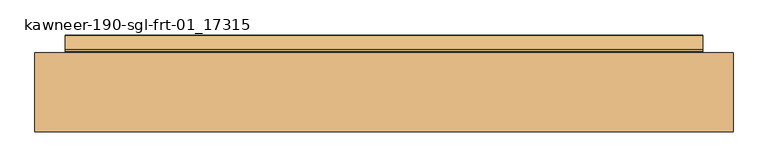
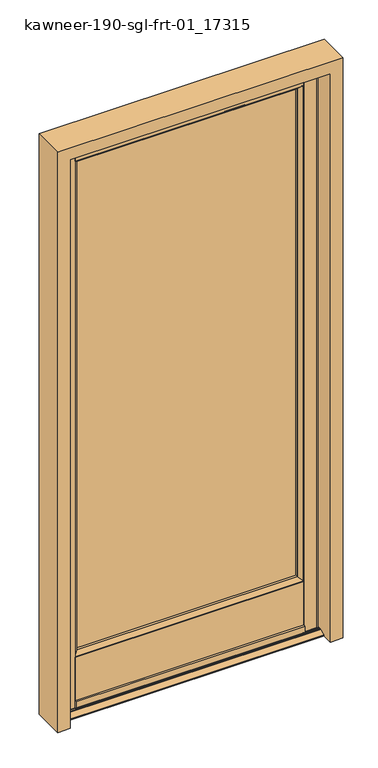
"""IFC4 building model written with IfcOpenShell, lengths in millimetres: door geometry, kawneer-190-sgl-frt-01_17315."""

from ifc_helpers import new_model, si_unit, point, frame, frame_2d, origin, place, context, project, spatial, polyline, circle_curve, trimmed, segment, composite_curve, outline, extrude, source, transform, mapped, element, save


def kawneer_190_sgl_frt_01_17315_6ead7ac8(model_context):
    return source(origin(), model_context, "Body", "SweptSolid", [
        extrude(outline(composite_curve([segment(polyline([(-407.1938516, 54.76875), (-407.1938516, 53.1207726), (-393.7318516, 41.95445), (-393.7318516, 39.5584659), (-390.3360934, 35.7186484), (-402.4313516, 35.7186484), (-402.4313516, 29.36875), (-390.3649131, 29.36875), (-393.7318516, 25.5274652), (-393.7318516, 23.13305), (-407.1938516, 11.9666512), (-407.1938516, 10.31875), (-454.0890588, 10.31875)]), True, "CONTINUOUS"), segment(trimmed(circle_curve(frame_2d((-454.0890588, 15.0896329)), 4.7708829), [point((-454.0890588, 10.31875))], [point((-458.8599417, 15.0896329))], False, "CARTESIAN"), True, "CONTINUOUS"), segment(polyline([(-458.8599417, 15.0896329), (-461.16875, 54.76875), (-407.1938516, 54.76875)]), True, "CONTINUOUS")], self_intersect=False)), frame((0.0, 0.0, 17.4625), z_axis=(0.0, 0.0, 1.0), x_axis=(1.0, 0.0, 0.0)), (0.0, 0.0, 1.0), 2116.1375),
        extrude(outline(composite_curve([segment(polyline([(407.1938516, 54.76875), (461.16875, 54.76875), (458.8599417, 15.0896329)]), True, "CONTINUOUS"), segment(trimmed(circle_curve(frame_2d((454.0890588, 15.0896329)), 4.7708829), [point((458.8599417, 15.0896329))], [point((454.0890588, 10.31875))], False, "CARTESIAN"), True, "CONTINUOUS"), segment(polyline([(454.0890588, 10.31875), (407.1938516, 10.31875), (407.1938516, 13.4936484), (393.7318516, 23.13305), (393.7318516, 25.5274652), (390.3649131, 29.36875), (406.4, 29.36875), (406.4, 35.7186484), (390.3360934, 35.7186484), (393.7318516, 39.5584659), (393.7318516, 41.95445), (407.1938516, 53.1207726), (407.1938516, 54.76875)]), True, "CONTINUOUS")], self_intersect=False)), frame((0.0, 0.0, 17.4625), z_axis=(0.0, 0.0, 1.0), x_axis=(1.0, 0.0, 0.0)), (0.0, 0.0, 1.0), 2116.1375),
        extrude(outline(polyline([(0.0, 463.55), (0.0, 508.0), (2184.4, 508.0), (2184.4, -508.0), (0.0, -508.0), (0.0, -463.55), (2139.95, -463.55), (2139.95, 463.55), (0.0, 463.55)])), frame((0.0, -57.15, 0.0), z_axis=(0.0, 1.0, 0.0), x_axis=(0.0, 0.0, 1.0)), (0.0, 0.0, 1.0), 114.3),
        extrude(outline(polyline([(406.4, 29.36875), (-402.4313516, 29.36875), (-402.4313516, 35.7186484), (406.4, 35.7186484), (406.4, 29.36875)])), frame((0.0, 0.0, 212.725), z_axis=(0.0, 0.0, 1.0), x_axis=(1.0, 0.0, 0.0)), (0.0, 0.0, 1.0), 1855.7876016),
        extrude(outline(composite_curve([segment(polyline([(62.9047915, 8.6868), (52.4380414, 8.6868), (52.4380414, 7.2370753), (12.7886414, 7.2370753), (12.7886414, 8.6868), (2.3472914, 8.6868), (-10.0946637, 2.9615256)]), True, "CONTINUOUS"), segment(trimmed(circle_curve(frame_2d((-9.4363586, 1.5309211)), 1.5748), [point((-10.0946637, 2.9615256))], [point((-11.0111586, 1.5309211))], True, "CARTESIAN"), True, "CONTINUOUS"), segment(polyline([(-11.0111586, 1.5309211), (-11.0111586, 0.0), (-18.1739586, 0.0), (-18.1739586, 2.5920957)]), True, "CONTINUOUS"), segment(trimmed(circle_curve(frame_2d((-17.3611586, 2.5920957)), 0.8128), [point((-18.1739586, 2.5920957))], [point((-17.700929, 3.3304722))], False, "CARTESIAN"), True, "CONTINUOUS"), segment(polyline([(-17.700929, 3.3304722), (2.6605833, 12.7), (6.1371124, 12.7)]), True, "CONTINUOUS"), segment(trimmed(circle_curve(frame_2d((6.9499124, 12.7)), 0.8128), [point((6.1371124, 12.7))], [point((7.7627124, 12.7))], True, "CARTESIAN"), True, "CONTINUOUS"), segment(polyline([(7.7627124, 12.7), (11.6743124, 12.7)]), True, "CONTINUOUS"), segment(trimmed(circle_curve(frame_2d((12.4871124, 12.7)), 0.8128), [point((11.6743124, 12.7))], [point((13.2999124, 12.7))], True, "CARTESIAN"), True, "CONTINUOUS"), segment(polyline([(13.2999124, 12.7), (16.7510414, 12.7), (16.7510414, 11.43), (48.5010414, 11.43), (48.5010414, 12.7), (51.9521705, 12.7)]), True, "CONTINUOUS"), segment(trimmed(circle_curve(frame_2d((52.7649705, 12.7)), 0.8128), [point((51.9521705, 12.7))], [point((53.5777705, 12.7))], True, "CARTESIAN"), True, "CONTINUOUS"), segment(polyline([(53.5777705, 12.7), (57.4893705, 12.7)]), True, "CONTINUOUS"), segment(trimmed(circle_curve(frame_2d((58.3021705, 12.7)), 0.8128), [point((57.4893705, 12.7))], [point((59.1149705, 12.7))], True, "CARTESIAN"), True, "CONTINUOUS"), segment(polyline([(59.1149705, 12.7), (62.5914996, 12.7), (82.9530119, 3.3304722)]), True, "CONTINUOUS"), segment(trimmed(circle_curve(frame_2d((82.6132414, 2.5920957)), 0.8128), [point((82.9530119, 3.3304722))], [point((83.4260414, 2.5920957))], False, "CARTESIAN"), True, "CONTINUOUS"), segment(polyline([(83.4260414, 2.5920957), (83.4260414, 0.0), (76.2632414, 0.0), (76.2632414, 1.5309211)]), True, "CONTINUOUS"), segment(trimmed(circle_curve(frame_2d((74.6884414, 1.5309211)), 1.5748), [point((76.2632414, 1.5309211))], [point((75.3467466, 2.9615256))], True, "CARTESIAN"), True, "CONTINUOUS"), segment(polyline([(75.3467466, 2.9615256), (62.9047915, 8.6868)]), True, "CONTINUOUS")], self_intersect=False)), frame((-463.55, 0.0, 0.0), z_axis=(1.0, 0.0, 0.0), x_axis=(0.0, 1.0, 0.0)), (0.0, 0.0, 1.0), 927.1),
        extrude(outline(composite_curve([segment(polyline([(54.76875, 207.9625), (54.76875, 17.4625), (51.92395, 17.4625), (51.92395, 35.7188008), (13.82395, 35.7188008), (13.82395, 17.4625), (10.31875, 17.4625), (10.31875, 20.2184), (8.5800086, 20.2184), (10.6703323, 14.8248489)]), True, "CONTINUOUS"), segment(trimmed(circle_curve(frame_2d((9.9934704, 14.5625244)), 0.7259174), [point((10.6703323, 14.8248489))], [point((9.3166086, 14.3002))], False, "CARTESIAN"), True, "CONTINUOUS"), segment(polyline([(9.3166086, 14.3002), (6.2940086, 20.2184), (4.2620086, 20.2184), (4.2620086, 42.6871902), (10.31875, 44.3201352), (10.31875, 207.9625), (12.2480522, 207.9625), (23.46325, 221.4833625), (24.3558005, 221.4833625)]), True, "CONTINUOUS"), segment(trimmed(circle_curve(frame_2d((21.9661382, 228.859525)), 7.7535965), [point((24.3558005, 221.4833625))], [point((29.36875, 226.5530998))], True, "CARTESIAN"), True, "CONTINUOUS"), segment(polyline([(29.36875, 226.5530998), (29.36875, 212.725), (35.7186484, 212.725), (35.7186484, 226.5530998)]), True, "CONTINUOUS"), segment(trimmed(circle_curve(frame_2d((43.1212602, 228.859525)), 7.7535965), [point((35.7186484, 226.5530998))], [point((40.7315979, 221.4833625))], True, "CARTESIAN"), True, "CONTINUOUS"), segment(polyline([(40.7315979, 221.4833625), (42.28465, 221.4833625), (53.1207726, 207.9625), (54.76875, 207.9625)]), True, "CONTINUOUS")], self_intersect=False), holes=[composite_curve([segment(polyline([(51.59375, 38.8938008), (51.59375, 195.2879)]), True, "CONTINUOUS"), segment(trimmed(circle_curve(frame_2d((50.5243954, 198.4629)), 3.3502454), [point((51.59375, 195.2879))], [point((47.17415, 198.4629))], False, "CARTESIAN"), True, "CONTINUOUS"), segment(polyline([(47.17415, 198.4629), (47.17415, 203.2), (18.57375, 203.2), (18.57375, 198.4629)]), True, "CONTINUOUS"), segment(trimmed(circle_curve(frame_2d((15.2235046, 198.4629)), 3.3502454), [point((18.57375, 198.4629))], [point((14.15415, 195.2879))], False, "CARTESIAN"), True, "CONTINUOUS"), segment(polyline([(14.15415, 195.2879), (14.15415, 38.8938008), (51.59375, 38.8938008)]), True, "CONTINUOUS")], self_intersect=False)]), frame((-407.1938516, 0.0, 0.0), z_axis=(1.0, 0.0, 0.0), x_axis=(0.0, 1.0, 0.0)), (0.0, 0.0, 1.0), 814.3877032),
        extrude(outline(polyline([(10.31875, 2073.2751016), (10.31875, 2133.6), (13.82395, 2133.6), (13.82395, 2114.55), (51.92395, 2114.55), (51.92395, 2133.6), (54.76875, 2133.6), (54.76875, 2073.2751016), (53.1627032, 2073.2751016), (41.9963044, 2059.8131016), (39.5584659, 2059.8131016), (35.7186484, 2056.1254089), (35.7186484, 2068.5126016), (29.36875, 2068.5126016), (29.36875, 2056.4428495), (25.5236255, 2059.8131016), (23.1403579, 2059.8131016), (11.9739591, 2073.2751016), (10.31875, 2073.2751016)])), frame((-407.1938516, 0.0, 0.0), z_axis=(1.0, 0.0, 0.0), x_axis=(0.0, 1.0, 0.0)), (0.0, 0.0, 1.0), 814.3877032),
    ])


if __name__ == "__main__":
    model = new_model("IFC4")
    model_context = context("Model", 3, world=origin())
    ifc_project = project(units=[si_unit("LENGTHUNIT", "METRE", prefix="MILLI")], contexts=[model_context])
    site = spatial("IfcSite", under=ifc_project)
    building = spatial("IfcBuilding", under=site)
    placement = place(None, origin())
    kawneer_190_sgl_frt_01_17315_shape = kawneer_190_sgl_frt_01_17315_6ead7ac8(model_context)
    element("IfcDoor", 1, ObjectType="kawneer-190-sgl-frt-01_17315", at=placement, inside=building, context=model_context, shape_type="MappedRepresentation", body=[
        mapped(kawneer_190_sgl_frt_01_17315_shape, transform((0.0, 0.0, 0.0), x_axis=(1.0, 0.0, 0.0), y_axis=(0.0, 1.0, 0.0), z_axis=(0.0, 0.0, 1.0))),
    ])
    save(model, "model.ifc")
